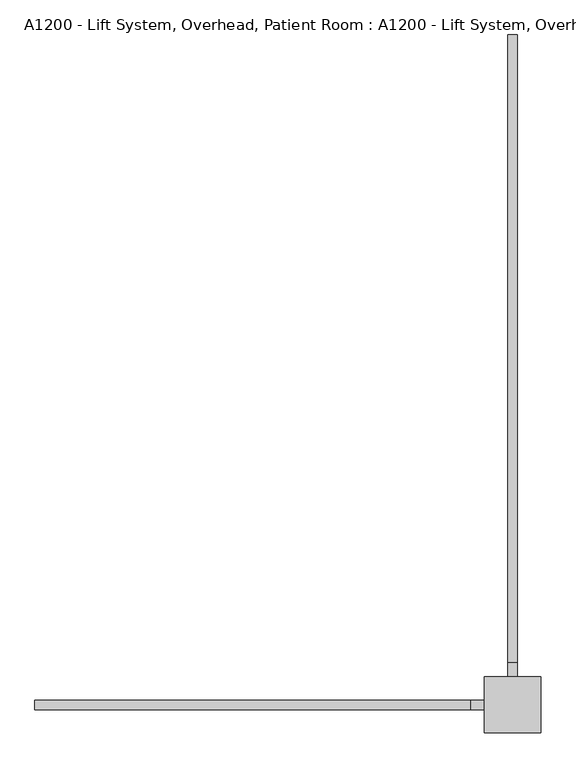
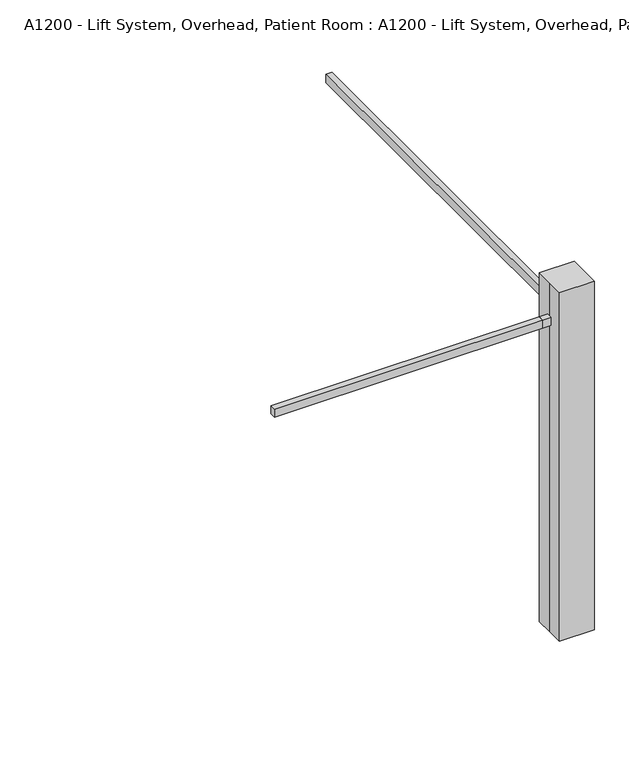
"""IFC4 building model written with IfcOpenShell, lengths in millimetres: proxy geometry, A1200 - Lift System, Overhead, Patient Room : A1200 - Lift System, Overhead, Patient Room."""

from ifc_helpers import new_model, si_unit, frame, origin, place, context, project, spatial, polyline, outline, extrude, source, transform, mapped, element, save


def a1200_lift_system_overhead_patient_room_a1200_lift_system_7b2768da(model_context):
    return source(origin(), model_context, "Body", "SweptSolid", [
        extrude(outline(polyline([(-228.6, 25.4), (-228.6, -25.4), (-2590.8, -25.4), (-2590.8, 25.4), (-228.6, 25.4)])), frame((0.0, 0.0, -76.2), z_axis=(0.0, 0.0, 1.0), x_axis=(1.0, 0.0, 0.0)), (0.0, 0.0, 1.0), 76.2),
        extrude(outline(polyline([(-25.4, 228.6), (25.4, 228.6), (25.4, -25.4), (-228.6, -25.4), (-228.6, 25.4), (-25.4, 25.4), (-25.4, 228.6)])), frame((0.0, 0.0, -76.2), z_axis=(0.0, 0.0, 1.0), x_axis=(1.0, 0.0, 0.0)), (0.0, 0.0, 1.0), 76.2),
        extrude(outline(polyline([(25.4, 228.6), (-25.4, 228.6), (-25.4, 3630.2817689), (25.4, 3630.2817689), (25.4, 228.6)])), frame((0.0, 0.0, -76.2), z_axis=(0.0, 0.0, 1.0), x_axis=(1.0, 0.0, 0.0)), (0.0, 0.0, 1.0), 76.2),
        extrude(outline(polyline([(-152.4, 152.4), (152.4, 152.4), (152.4, -152.4), (-152.4, -152.4), (-152.4, 0.0), (-152.4, 152.4)])), frame((0.0, 0.0, -2939.343663), z_axis=(0.0, 0.0, 1.0), x_axis=(1.0, 0.0, 0.0)), (0.0, 0.0, 1.0), 3244.143663),
    ])


if __name__ == "__main__":
    model = new_model("IFC4")
    model_context = context("Model", 3, world=origin())
    ifc_project = project(units=[si_unit("LENGTHUNIT", "METRE", prefix="MILLI")], contexts=[model_context])
    site = spatial("IfcSite", under=ifc_project)
    building = spatial("IfcBuilding", under=site)
    placement = place(None, origin())
    a1200_lift_system_overhead_patient_room_a1200_lift_system_shape = a1200_lift_system_overhead_patient_room_a1200_lift_system_7b2768da(model_context)
    element("IfcBuildingElementProxy", 1, Name="A1200 - Lift System, Overhead, Patient Room : A1200 - Lift System, Overhead, Patient Room", ObjectType="A1200 - Lift System, Overhead, Patient Room : A1200 - Lift System, Overhead, Patient Room", at=placement, inside=building, context=model_context, shape_type="MappedRepresentation", body=[
        mapped(a1200_lift_system_overhead_patient_room_a1200_lift_system_shape, transform((0.0, 0.0, 0.0), x_axis=(1.0, 0.0, 0.0), y_axis=(0.0, 1.0, 0.0), z_axis=(0.0, 0.0, 1.0))),
    ])
    save(model, "model.ifc")
